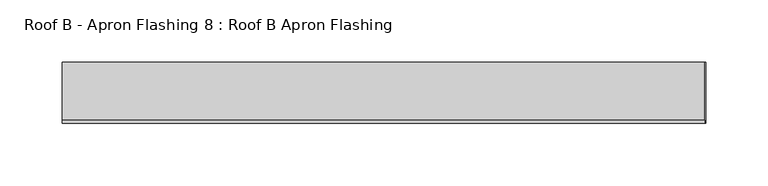
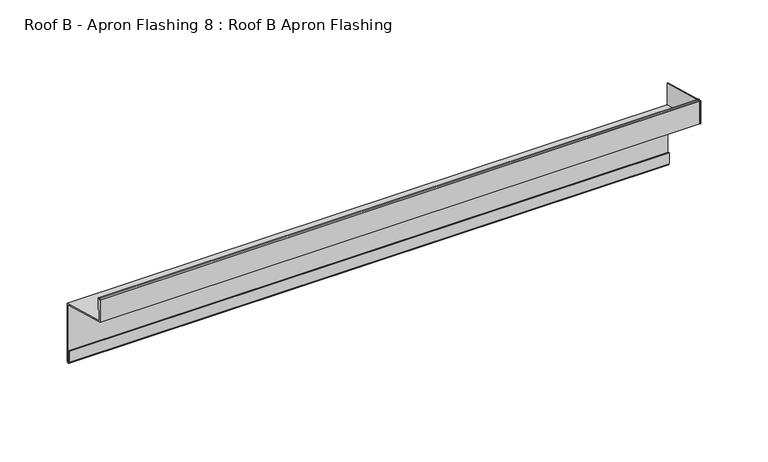
"""IFC4 building model written with IfcOpenShell, lengths in millimetres: proxy geometry, Roof B - Apron Flashing 8 : Roof B Apron Flashing."""

from ifc_helpers import new_model, si_unit, point, frame, frame_2d, origin, place, context, project, spatial, polyline, circle_curve, trimmed, segment, composite_curve, outline, extrude, source, transform, mapped, element, save


def roof_b_apron_flashing_8_roof_b_apron_flashing_57c60d25(model_context):
    return source(origin(), model_context, "Body", "SweptSolid", [
        extrude(outline(polyline([(608.0490096, -973.6339834), (608.0490096, -953.130654), (656.8026399, -966.1941499), (656.8026399, -986.6974792), (608.0490096, -973.6339834)])), frame((9682.4791786, 0.0, 0.0), z_axis=(1.0, 0.0, 0.0), x_axis=(0.0, 1.0, 0.0)), (0.0, 0.0, 1.0), 0.8428395),
        extrude(outline(composite_curve([segment(polyline([(656.8026399, -985.662203), (656.8026399, -1037.6563748)]), True, "CONTINUOUS"), segment(trimmed(circle_curve(frame_2d((655.3026399, -1037.6563748)), 1.5), [point((656.8026399, -1037.6563748))], [point((653.8026399, -1037.6563748))], False, "CARTESIAN"), True, "CONTINUOUS"), segment(polyline([(653.8026399, -1037.6563748), (653.8026399, -1027.6933761), (654.8026399, -1027.6933761), (654.8026399, -1037.6563748)]), True, "CONTINUOUS"), segment(trimmed(circle_curve(frame_2d((655.3026399, -1037.6563748)), 0.5), [point((654.8026399, -1037.6563748))], [point((655.8026399, -1037.6563748))], True, "CARTESIAN"), True, "CONTINUOUS"), segment(polyline([(655.8026399, -1037.6563748), (655.8026399, -986.42953), (608.0490096, -973.6339834), (608.0490096, -953.3538686)]), True, "CONTINUOUS"), segment(trimmed(circle_curve(frame_2d((609.2990096, -953.3538686)), 1.25), [point((608.0490096, -953.3538686))], [point((610.5490096, -953.3538686))], False, "CARTESIAN"), True, "CONTINUOUS"), segment(polyline([(610.5490096, -953.3538686), (610.5490096, -962.6360034)]), True, "CONTINUOUS"), segment(trimmed(circle_curve(frame_2d((610.0490096, -962.6360034)), 0.5), [point((610.5490096, -962.6360034))], [point((609.5490096, -962.6360034))], False, "CARTESIAN"), True, "CONTINUOUS"), segment(polyline([(609.5490096, -962.6360034), (609.5490096, -953.3538686)]), True, "CONTINUOUS"), segment(trimmed(circle_curve(frame_2d((609.2990096, -953.3538686)), 0.25), [point((609.5490096, -953.3538686))], [point((609.0490096, -953.3538686))], True, "CARTESIAN"), True, "CONTINUOUS"), segment(polyline([(609.0490096, -953.3538686), (609.0490096, -972.8666564), (656.8026399, -985.662203)]), True, "CONTINUOUS")], self_intersect=False)), frame((9167.4791786, 0.0, 0.0), z_axis=(1.0, 0.0, 0.0), x_axis=(0.0, 1.0, 0.0)), (0.0, 0.0, 1.0), 515.0),
    ])


if __name__ == "__main__":
    model = new_model("IFC4")
    model_context = context("Model", 3, world=origin())
    ifc_project = project(units=[si_unit("LENGTHUNIT", "METRE", prefix="MILLI")], contexts=[model_context])
    site = spatial("IfcSite", under=ifc_project)
    building = spatial("IfcBuilding", under=site)
    placement = place(None, origin())
    roof_b_apron_flashing_8_roof_b_apron_flashing_shape = roof_b_apron_flashing_8_roof_b_apron_flashing_57c60d25(model_context)
    element("IfcBuildingElementProxy", 1, Name="Roof B - Apron Flashing 8 : Roof B Apron Flashing", ObjectType="Roof B - Apron Flashing 8 : Roof B Apron Flashing", at=placement, inside=building, context=model_context, shape_type="MappedRepresentation", body=[
        mapped(roof_b_apron_flashing_8_roof_b_apron_flashing_shape, transform((0.0, 0.0, 0.0), x_axis=(1.0, 0.0, 0.0), y_axis=(0.0, 1.0, 0.0), z_axis=(0.0, 0.0, 1.0))),
    ])
    save(model, "model.ifc")
